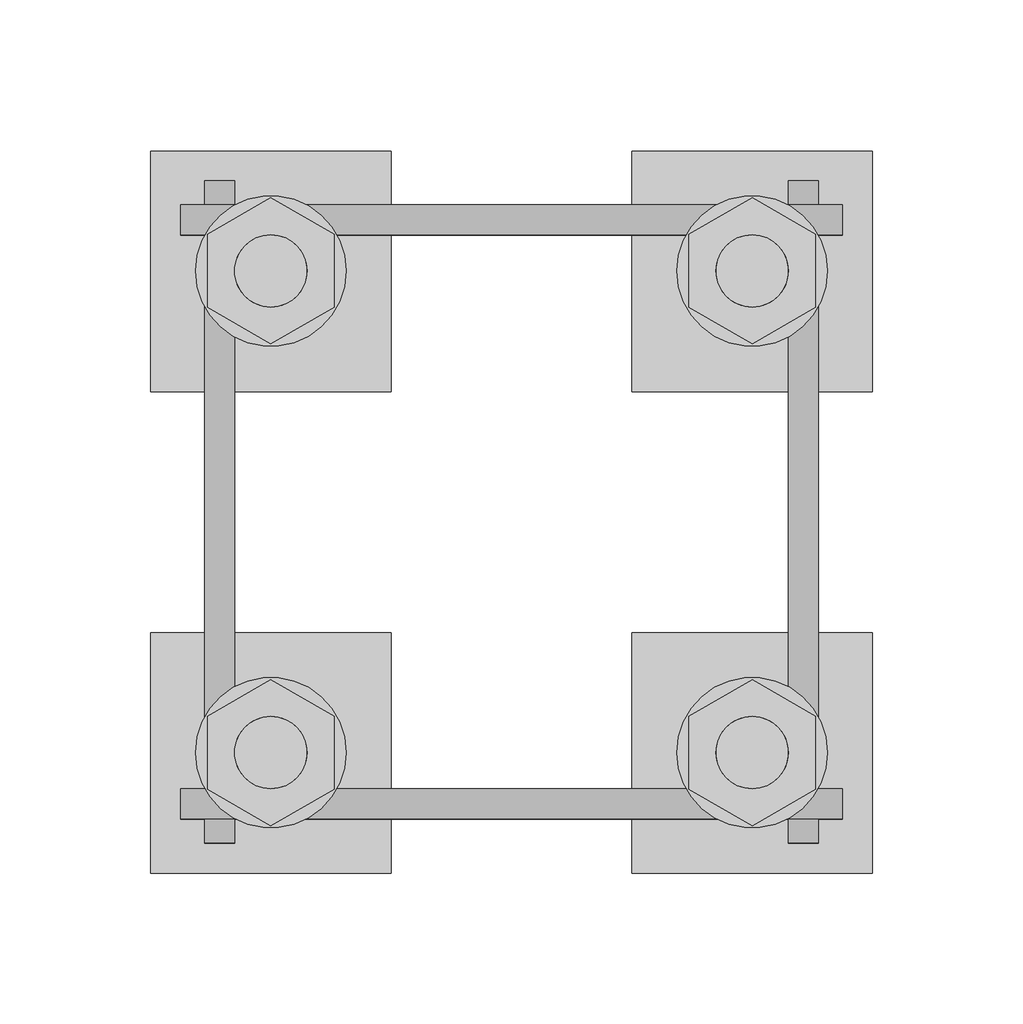
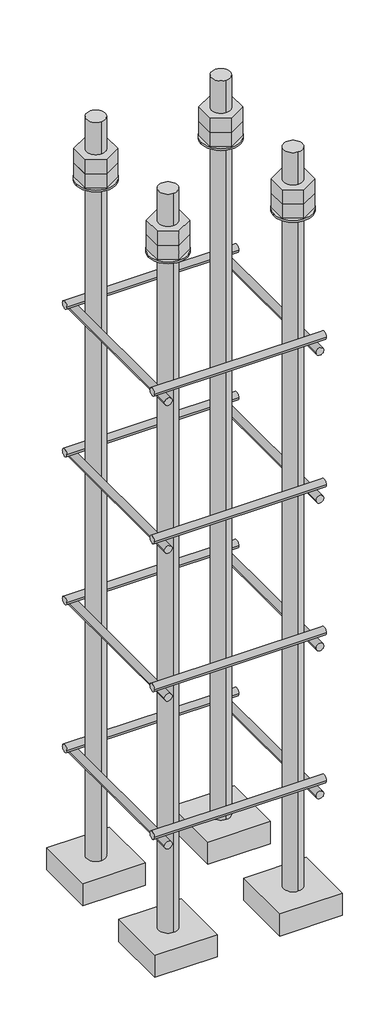
# One storey, part 4 of 66: 1 fastener.
"""IFC4 building model written with IfcOpenShell, lengths in millimetres."""

from ifc_helpers import new_model, si_unit, point, frame, frame_2d, origin, place, context, project, spatial, polyline, circle_curve, trimmed, segment, composite_curve, outline, extrude, element, save
from ifc_brep_helpers import plane_surface, cylinder_surface, advanced_brep

model = new_model("IFC4")

# Units and contexts
model_context = context("Model", 3, world=origin())
ifc_project = project(units=[si_unit("LENGTHUNIT", "METRE", prefix="MILLI")], contexts=[model_context])

# Site, building, storey
site = spatial("IfcSite", under=ifc_project)
building = spatial("IfcBuilding", under=site)
storey = spatial("IfcBuildingStorey", under=building, Elevation=9070.0)

# Fastener
placement = place(None, origin())
element("IfcFastener", 1, ObjectType="AU1 : AU-01", at=placement, inside=storey, context=model_context, shape_type="SolidModel", body=[
    extrude(outline(composite_curve([segment(trimmed(circle_curve(frame_2d((11343.0, 8795.0)), 5.0), [point((11338.0, 8795.0))], [point((11348.0, 8795.0))], False, "CARTESIAN"), True, "CONTINUOUS"), segment(trimmed(circle_curve(frame_2d((11343.0, 8795.0)), 5.0), [point((11348.0, 8795.0))], [point((11338.0, 8795.0))], False, "CARTESIAN"), True, "CONTINUOUS")], self_intersect=False)), frame((20740.0, 0.0, 0.0), z_axis=(1.0, 0.0, 0.0), x_axis=(0.0, 1.0, 0.0)), (0.0, 0.0, 1.0), 220.0),
    extrude(outline(composite_curve([segment(trimmed(circle_curve(frame_2d((11537.0, 8795.0)), 5.0), [point((11542.0, 8795.0))], [point((11532.0, 8795.0))], False, "CARTESIAN"), True, "CONTINUOUS"), segment(trimmed(circle_curve(frame_2d((11537.0, 8795.0)), 5.0), [point((11532.0, 8795.0))], [point((11542.0, 8795.0))], False, "CARTESIAN"), True, "CONTINUOUS")], self_intersect=False)), frame((20740.0, 0.0, 0.0), z_axis=(1.0, 0.0, 0.0), x_axis=(0.0, 1.0, 0.0)), (0.0, 0.0, 1.0), 220.0),
    extrude(outline(composite_curve([segment(trimmed(circle_curve(frame_2d((8785.0, 20753.0)), 5.0), [point((8785.0, 20748.0))], [point((8785.0, 20758.0))], False, "CARTESIAN"), True, "CONTINUOUS"), segment(trimmed(circle_curve(frame_2d((8785.0, 20753.0)), 5.0), [point((8785.0, 20758.0))], [point((8785.0, 20748.0))], False, "CARTESIAN"), True, "CONTINUOUS")], self_intersect=False)), frame((0.0, 11330.0, 0.0), z_axis=(0.0, 1.0, 0.0), x_axis=(0.0, 0.0, 1.0)), (0.0, 0.0, 1.0), 220.0),
    extrude(outline(composite_curve([segment(trimmed(circle_curve(frame_2d((8785.0, 20947.0)), 5.0), [point((8785.0, 20952.0))], [point((8785.0, 20942.0))], False, "CARTESIAN"), True, "CONTINUOUS"), segment(trimmed(circle_curve(frame_2d((8785.0, 20947.0)), 5.0), [point((8785.0, 20942.0))], [point((8785.0, 20952.0))], False, "CARTESIAN"), True, "CONTINUOUS")], self_intersect=False)), frame((0.0, 11330.0, 0.0), z_axis=(0.0, 1.0, 0.0), x_axis=(0.0, 0.0, 1.0)), (0.0, 0.0, 1.0), 220.0),
    extrude(outline(composite_curve([segment(trimmed(circle_curve(frame_2d((11343.0, 8995.0)), 5.0), [point((11338.0, 8995.0))], [point((11348.0, 8995.0))], False, "CARTESIAN"), True, "CONTINUOUS"), segment(trimmed(circle_curve(frame_2d((11343.0, 8995.0)), 5.0), [point((11348.0, 8995.0))], [point((11338.0, 8995.0))], False, "CARTESIAN"), True, "CONTINUOUS")], self_intersect=False)), frame((20740.0, 0.0, 0.0), z_axis=(1.0, 0.0, 0.0), x_axis=(0.0, 1.0, 0.0)), (0.0, 0.0, 1.0), 220.0),
    extrude(outline(composite_curve([segment(trimmed(circle_curve(frame_2d((11537.0, 8995.0)), 5.0), [point((11542.0, 8995.0))], [point((11532.0, 8995.0))], False, "CARTESIAN"), True, "CONTINUOUS"), segment(trimmed(circle_curve(frame_2d((11537.0, 8995.0)), 5.0), [point((11532.0, 8995.0))], [point((11542.0, 8995.0))], False, "CARTESIAN"), True, "CONTINUOUS")], self_intersect=False)), frame((20740.0, 0.0, 0.0), z_axis=(1.0, 0.0, 0.0), x_axis=(0.0, 1.0, 0.0)), (0.0, 0.0, 1.0), 220.0),
    extrude(outline(composite_curve([segment(trimmed(circle_curve(frame_2d((8985.0, 20753.0)), 5.0), [point((8985.0, 20748.0))], [point((8985.0, 20758.0))], False, "CARTESIAN"), True, "CONTINUOUS"), segment(trimmed(circle_curve(frame_2d((8985.0, 20753.0)), 5.0), [point((8985.0, 20758.0))], [point((8985.0, 20748.0))], False, "CARTESIAN"), True, "CONTINUOUS")], self_intersect=False)), frame((0.0, 11330.0, 0.0), z_axis=(0.0, 1.0, 0.0), x_axis=(0.0, 0.0, 1.0)), (0.0, 0.0, 1.0), 220.0),
    extrude(outline(composite_curve([segment(trimmed(circle_curve(frame_2d((8985.0, 20947.0)), 5.0), [point((8985.0, 20952.0))], [point((8985.0, 20942.0))], False, "CARTESIAN"), True, "CONTINUOUS"), segment(trimmed(circle_curve(frame_2d((8985.0, 20947.0)), 5.0), [point((8985.0, 20942.0))], [point((8985.0, 20952.0))], False, "CARTESIAN"), True, "CONTINUOUS")], self_intersect=False)), frame((0.0, 11330.0, 0.0), z_axis=(0.0, 1.0, 0.0), x_axis=(0.0, 0.0, 1.0)), (0.0, 0.0, 1.0), 220.0),
    extrude(outline(composite_curve([segment(trimmed(circle_curve(frame_2d((11343.0, 9195.0)), 5.0), [point((11338.0, 9195.0))], [point((11348.0, 9195.0))], False, "CARTESIAN"), True, "CONTINUOUS"), segment(trimmed(circle_curve(frame_2d((11343.0, 9195.0)), 5.0), [point((11348.0, 9195.0))], [point((11338.0, 9195.0))], False, "CARTESIAN"), True, "CONTINUOUS")], self_intersect=False)), frame((20740.0, 0.0, 0.0), z_axis=(1.0, 0.0, 0.0), x_axis=(0.0, 1.0, 0.0)), (0.0, 0.0, 1.0), 220.0),
    extrude(outline(composite_curve([segment(trimmed(circle_curve(frame_2d((11537.0, 9195.0)), 5.0), [point((11542.0, 9195.0))], [point((11532.0, 9195.0))], False, "CARTESIAN"), True, "CONTINUOUS"), segment(trimmed(circle_curve(frame_2d((11537.0, 9195.0)), 5.0), [point((11532.0, 9195.0))], [point((11542.0, 9195.0))], False, "CARTESIAN"), True, "CONTINUOUS")], self_intersect=False)), frame((20740.0, 0.0, 0.0), z_axis=(1.0, 0.0, 0.0), x_axis=(0.0, 1.0, 0.0)), (0.0, 0.0, 1.0), 220.0),
    extrude(outline(composite_curve([segment(trimmed(circle_curve(frame_2d((9185.0, 20753.0)), 5.0), [point((9185.0, 20748.0))], [point((9185.0, 20758.0))], False, "CARTESIAN"), True, "CONTINUOUS"), segment(trimmed(circle_curve(frame_2d((9185.0, 20753.0)), 5.0), [point((9185.0, 20758.0))], [point((9185.0, 20748.0))], False, "CARTESIAN"), True, "CONTINUOUS")], self_intersect=False)), frame((0.0, 11330.0, 0.0), z_axis=(0.0, 1.0, 0.0), x_axis=(0.0, 0.0, 1.0)), (0.0, 0.0, 1.0), 220.0),
    extrude(outline(composite_curve([segment(trimmed(circle_curve(frame_2d((9185.0, 20947.0)), 5.0), [point((9185.0, 20952.0))], [point((9185.0, 20942.0))], False, "CARTESIAN"), True, "CONTINUOUS"), segment(trimmed(circle_curve(frame_2d((9185.0, 20947.0)), 5.0), [point((9185.0, 20942.0))], [point((9185.0, 20952.0))], False, "CARTESIAN"), True, "CONTINUOUS")], self_intersect=False)), frame((0.0, 11330.0, 0.0), z_axis=(0.0, 1.0, 0.0), x_axis=(0.0, 0.0, 1.0)), (0.0, 0.0, 1.0), 220.0),
    extrude(outline(composite_curve([segment(trimmed(circle_curve(frame_2d((11343.0, 9395.0)), 5.0), [point((11338.0, 9395.0))], [point((11348.0, 9395.0))], False, "CARTESIAN"), True, "CONTINUOUS"), segment(trimmed(circle_curve(frame_2d((11343.0, 9395.0)), 5.0), [point((11348.0, 9395.0))], [point((11338.0, 9395.0))], False, "CARTESIAN"), True, "CONTINUOUS")], self_intersect=False)), frame((20740.0, 0.0, 0.0), z_axis=(1.0, 0.0, 0.0), x_axis=(0.0, 1.0, 0.0)), (0.0, 0.0, 1.0), 220.0),
    extrude(outline(composite_curve([segment(trimmed(circle_curve(frame_2d((11537.0, 9395.0)), 5.0), [point((11542.0, 9395.0))], [point((11532.0, 9395.0))], False, "CARTESIAN"), True, "CONTINUOUS"), segment(trimmed(circle_curve(frame_2d((11537.0, 9395.0)), 5.0), [point((11532.0, 9395.0))], [point((11542.0, 9395.0))], False, "CARTESIAN"), True, "CONTINUOUS")], self_intersect=False)), frame((20740.0, 0.0, 0.0), z_axis=(1.0, 0.0, 0.0), x_axis=(0.0, 1.0, 0.0)), (0.0, 0.0, 1.0), 220.0),
    extrude(outline(composite_curve([segment(trimmed(circle_curve(frame_2d((9385.0, 20753.0)), 5.0), [point((9385.0, 20748.0))], [point((9385.0, 20758.0))], False, "CARTESIAN"), True, "CONTINUOUS"), segment(trimmed(circle_curve(frame_2d((9385.0, 20753.0)), 5.0), [point((9385.0, 20758.0))], [point((9385.0, 20748.0))], False, "CARTESIAN"), True, "CONTINUOUS")], self_intersect=False)), frame((0.0, 11330.0, 0.0), z_axis=(0.0, 1.0, 0.0), x_axis=(0.0, 0.0, 1.0)), (0.0, 0.0, 1.0), 220.0),
    extrude(outline(composite_curve([segment(trimmed(circle_curve(frame_2d((9385.0, 20947.0)), 5.0), [point((9385.0, 20952.0))], [point((9385.0, 20942.0))], False, "CARTESIAN"), True, "CONTINUOUS"), segment(trimmed(circle_curve(frame_2d((9385.0, 20947.0)), 5.0), [point((9385.0, 20942.0))], [point((9385.0, 20952.0))], False, "CARTESIAN"), True, "CONTINUOUS")], self_intersect=False)), frame((0.0, 11330.0, 0.0), z_axis=(0.0, 1.0, 0.0), x_axis=(0.0, 0.0, 1.0)), (0.0, 0.0, 1.0), 220.0),
    advanced_brep(
    [(20810.0, 11560.0, 8650.0), (20730.0, 11560.0, 8650.0), (20730.0, 11480.0, 8650.0), (20810.0, 11480.0, 8650.0), (20770.0, 11508.0, 8650.0), (20770.0, 11532.0, 8650.0), (20810.0, 11560.0, 8620.0), (20810.0, 11480.0, 8620.0), (20730.0, 11480.0, 8620.0), (20730.0, 11560.0, 8620.0), (20770.0, 11532.0, 9650.0), (20770.0, 11508.0, 9650.0)],
    [
        (0, 1),
        (1, 2),
        (2, 3),
        (3, 0),
        (4, 5, circle_curve(frame((20770.0, 11520.0, 8650.0), z_axis=(0.0, 0.0, -1.0), x_axis=(0.0, -1.0, 0.0)), 12.0)),
        (5, 4, circle_curve(frame((20770.0, 11520.0, 8650.0), z_axis=(0.0, 0.0, -1.0), x_axis=(0.0, -1.0, 0.0)), 12.0)),
        (6, 7),
        (7, 8),
        (8, 9),
        (9, 6),
        (0, 6),
        (9, 1),
        (8, 2),
        (7, 3),
        (10, 11, circle_curve(frame((20770.0, 11520.0, 9650.0), z_axis=(0.0, 0.0, 1.0), x_axis=(0.0, -1.0, 0.0)), 12.0)),
        (11, 10, circle_curve(frame((20770.0, 11520.0, 9650.0), z_axis=(0.0, 0.0, 1.0), x_axis=(0.0, -1.0, 0.0)), 12.0)),
        (10, 5),
        (4, 11),
    ],
    [
        plane_surface(frame((20730.0, 11560.0, 8650.0), z_axis=(0.0, 0.0, 1.0), x_axis=(-1.0, 0.0, 0.0))),
        plane_surface(frame((20730.0, 11560.0, 8620.0), z_axis=(0.0, 0.0, -1.0), x_axis=(1.0, 0.0, 0.0))),
        plane_surface(frame((20810.0, 11560.0, 8650.0), z_axis=(0.0, 1.0, 0.0), x_axis=(0.0, 0.0, -1.0))),
        plane_surface(frame((20730.0, 11560.0, 8650.0), z_axis=(-1.0, 0.0, 0.0), x_axis=(0.0, 0.0, -1.0))),
        plane_surface(frame((20730.0, 11480.0, 8650.0), z_axis=(0.0, -1.0, 0.0), x_axis=(0.0, 0.0, -1.0))),
        plane_surface(frame((20810.0, 11480.0, 8650.0), z_axis=(1.0, 0.0, 0.0), x_axis=(0.0, 0.0, -1.0))),
        plane_surface(frame((20770.0, 11520.0, 9650.0), z_axis=(0.0, 0.0, 1.0), x_axis=(0.0, -1.0, 0.0))),
        cylinder_surface(frame((20770.0, 11520.0, 9650.0), z_axis=(0.0, 0.0, 1.0), x_axis=(0.0, -1.0, 0.0)), 12.0),
    ],
    [
        (0, [[1, 2, 3, 4], [5, 6]]),
        (1, [[7, 8, 9, 10]]),
        (2, [[-1, 11, -10, 12]]),
        (3, [[-2, -12, -9, 13]]),
        (4, [[-3, -13, -8, 14]]),
        (5, [[-4, -14, -7, -11]]),
        (6, [[15, 16]]),
        (7, [[-15, 17, -5, 18]]),
        (7, [[-16, -18, -6, -17]]),
    ],
),
    extrude(outline(composite_curve([segment(trimmed(circle_curve(frame_2d((20770.0, 11520.0)), 25.0), [point((20795.0, 11520.0))], [point((20745.0, 11520.0))], False, "CARTESIAN"), True, "CONTINUOUS"), segment(trimmed(circle_curve(frame_2d((20770.0, 11520.0)), 25.0), [point((20745.0, 11520.0))], [point((20795.0, 11520.0))], False, "CARTESIAN"), True, "CONTINUOUS")], self_intersect=False), holes=[composite_curve([segment(trimmed(circle_curve(frame_2d((20770.0, 11520.0)), 12.0), [point((20782.0, 11520.0))], [point((20758.0, 11520.0))], True, "CARTESIAN"), True, "CONTINUOUS"), segment(trimmed(circle_curve(frame_2d((20770.0, 11520.0)), 12.0), [point((20758.0, 11520.0))], [point((20782.0, 11520.0))], True, "CARTESIAN"), True, "CONTINUOUS")], self_intersect=False)]), frame((0.0, 0.0, 9565.0), z_axis=(0.0, 0.0, 1.0), x_axis=(1.0, 0.0, 0.0)), (0.0, 0.0, 1.0), 2.5),
    extrude(outline(polyline([(20770.0, 11544.2487113), (20791.0, 11532.1243557), (20791.0, 11507.8756443), (20770.0, 11495.7512887), (20749.0, 11507.8756443), (20749.0, 11532.1243557), (20770.0, 11544.2487113)]), holes=[composite_curve([segment(trimmed(circle_curve(frame_2d((20770.0, 11520.0)), 12.0), [point((20782.0, 11520.0))], [point((20758.0, 11520.0))], True, "CARTESIAN"), True, "CONTINUOUS"), segment(trimmed(circle_curve(frame_2d((20770.0, 11520.0)), 12.0), [point((20758.0, 11520.0))], [point((20782.0, 11520.0))], True, "CARTESIAN"), True, "CONTINUOUS")], self_intersect=False)]), frame((0.0, 0.0, 9587.0), z_axis=(0.0, 0.0, 1.0), x_axis=(1.0, 0.0, 0.0)), (0.0, 0.0, 1.0), 19.5),
    extrude(outline(polyline([(20770.0, 11544.2487113), (20791.0, 11532.1243557), (20791.0, 11507.8756443), (20770.0, 11495.7512887), (20749.0, 11507.8756443), (20749.0, 11532.1243557), (20770.0, 11544.2487113)]), holes=[composite_curve([segment(trimmed(circle_curve(frame_2d((20770.0, 11520.0)), 12.0), [point((20782.0, 11520.0))], [point((20758.0, 11520.0))], True, "CARTESIAN"), True, "CONTINUOUS"), segment(trimmed(circle_curve(frame_2d((20770.0, 11520.0)), 12.0), [point((20758.0, 11520.0))], [point((20782.0, 11520.0))], True, "CARTESIAN"), True, "CONTINUOUS")], self_intersect=False)]), frame((0.0, 0.0, 9567.5), z_axis=(0.0, 0.0, 1.0), x_axis=(1.0, 0.0, 0.0)), (0.0, 0.0, 1.0), 19.5),
    advanced_brep(
    [(20890.0, 11480.0, 8650.0), (20970.0, 11480.0, 8650.0), (20970.0, 11560.0, 8650.0), (20890.0, 11560.0, 8650.0), (20930.0, 11532.0, 8650.0), (20930.0, 11508.0, 8650.0), (20890.0, 11480.0, 8620.0), (20890.0, 11560.0, 8620.0), (20970.0, 11560.0, 8620.0), (20970.0, 11480.0, 8620.0), (20930.0, 11508.0, 9650.0), (20930.0, 11532.0, 9650.0)],
    [
        (0, 1),
        (1, 2),
        (2, 3),
        (3, 0),
        (4, 5, circle_curve(frame((20930.0, 11520.0, 8650.0), z_axis=(0.0, 0.0, -1.0), x_axis=(0.0, 1.0, 0.0)), 12.0)),
        (5, 4, circle_curve(frame((20930.0, 11520.0, 8650.0), z_axis=(0.0, 0.0, -1.0), x_axis=(0.0, 1.0, 0.0)), 12.0)),
        (6, 7),
        (7, 8),
        (8, 9),
        (9, 6),
        (0, 6),
        (9, 1),
        (8, 2),
        (7, 3),
        (10, 11, circle_curve(frame((20930.0, 11520.0, 9650.0), z_axis=(0.0, 0.0, 1.0), x_axis=(0.0, 1.0, 0.0)), 12.0)),
        (11, 10, circle_curve(frame((20930.0, 11520.0, 9650.0), z_axis=(0.0, 0.0, 1.0), x_axis=(0.0, 1.0, 0.0)), 12.0)),
        (10, 5),
        (4, 11),
    ],
    [
        plane_surface(frame((20970.0, 11480.0, 8650.0), z_axis=(0.0, 0.0, 1.0), x_axis=(1.0, 0.0, 0.0))),
        plane_surface(frame((20970.0, 11480.0, 8620.0), z_axis=(0.0, 0.0, -1.0), x_axis=(-1.0, 0.0, 0.0))),
        plane_surface(frame((20890.0, 11480.0, 8650.0), z_axis=(0.0, -1.0, 0.0), x_axis=(0.0, 0.0, -1.0))),
        plane_surface(frame((20970.0, 11480.0, 8650.0), z_axis=(1.0, 0.0, 0.0), x_axis=(0.0, 0.0, -1.0))),
        plane_surface(frame((20970.0, 11560.0, 8650.0), z_axis=(0.0, 1.0, 0.0), x_axis=(0.0, 0.0, -1.0))),
        plane_surface(frame((20890.0, 11560.0, 8650.0), z_axis=(-1.0, 0.0, 0.0), x_axis=(0.0, 0.0, -1.0))),
        plane_surface(frame((20930.0, 11520.0, 9650.0), z_axis=(0.0, 0.0, 1.0), x_axis=(0.0, 1.0, 0.0))),
        cylinder_surface(frame((20930.0, 11520.0, 9650.0), z_axis=(0.0, 0.0, 1.0), x_axis=(0.0, 1.0, 0.0)), 12.0),
    ],
    [
        (0, [[1, 2, 3, 4], [5, 6]]),
        (1, [[7, 8, 9, 10]]),
        (2, [[-1, 11, -10, 12]]),
        (3, [[-2, -12, -9, 13]]),
        (4, [[-3, -13, -8, 14]]),
        (5, [[-4, -14, -7, -11]]),
        (6, [[15, 16]]),
        (7, [[-15, 17, -5, 18]]),
        (7, [[-16, -18, -6, -17]]),
    ],
),
    extrude(outline(composite_curve([segment(trimmed(circle_curve(frame_2d((20930.0, 11520.0)), 25.0), [point((20905.0, 11520.0))], [point((20955.0, 11520.0))], False, "CARTESIAN"), True, "CONTINUOUS"), segment(trimmed(circle_curve(frame_2d((20930.0, 11520.0)), 25.0), [point((20955.0, 11520.0))], [point((20905.0, 11520.0))], False, "CARTESIAN"), True, "CONTINUOUS")], self_intersect=False), holes=[composite_curve([segment(trimmed(circle_curve(frame_2d((20930.0, 11520.0)), 12.0), [point((20918.0, 11520.0))], [point((20942.0, 11520.0))], True, "CARTESIAN"), True, "CONTINUOUS"), segment(trimmed(circle_curve(frame_2d((20930.0, 11520.0)), 12.0), [point((20942.0, 11520.0))], [point((20918.0, 11520.0))], True, "CARTESIAN"), True, "CONTINUOUS")], self_intersect=False)]), frame((0.0, 0.0, 9565.0), z_axis=(0.0, 0.0, 1.0), x_axis=(1.0, 0.0, 0.0)), (0.0, 0.0, 1.0), 2.5),
    extrude(outline(polyline([(20930.0, 11495.7512887), (20909.0, 11507.8756443), (20909.0, 11532.1243557), (20930.0, 11544.2487113), (20951.0, 11532.1243557), (20951.0, 11507.8756443), (20930.0, 11495.7512887)]), holes=[composite_curve([segment(trimmed(circle_curve(frame_2d((20930.0, 11520.0)), 12.0), [point((20918.0, 11520.0))], [point((20942.0, 11520.0))], True, "CARTESIAN"), True, "CONTINUOUS"), segment(trimmed(circle_curve(frame_2d((20930.0, 11520.0)), 12.0), [point((20942.0, 11520.0))], [point((20918.0, 11520.0))], True, "CARTESIAN"), True, "CONTINUOUS")], self_intersect=False)]), frame((0.0, 0.0, 9587.0), z_axis=(0.0, 0.0, 1.0), x_axis=(1.0, 0.0, 0.0)), (0.0, 0.0, 1.0), 19.5),
    extrude(outline(polyline([(20930.0, 11495.7512887), (20909.0, 11507.8756443), (20909.0, 11532.1243557), (20930.0, 11544.2487113), (20951.0, 11532.1243557), (20951.0, 11507.8756443), (20930.0, 11495.7512887)]), holes=[composite_curve([segment(trimmed(circle_curve(frame_2d((20930.0, 11520.0)), 12.0), [point((20918.0, 11520.0))], [point((20942.0, 11520.0))], True, "CARTESIAN"), True, "CONTINUOUS"), segment(trimmed(circle_curve(frame_2d((20930.0, 11520.0)), 12.0), [point((20942.0, 11520.0))], [point((20918.0, 11520.0))], True, "CARTESIAN"), True, "CONTINUOUS")], self_intersect=False)]), frame((0.0, 0.0, 9567.5), z_axis=(0.0, 0.0, 1.0), x_axis=(1.0, 0.0, 0.0)), (0.0, 0.0, 1.0), 19.5),
    advanced_brep(
    [(20890.0, 11320.0, 8650.0), (20970.0, 11320.0, 8650.0), (20970.0, 11400.0, 8650.0), (20890.0, 11400.0, 8650.0), (20930.0, 11372.0, 8650.0), (20930.0, 11348.0, 8650.0), (20890.0, 11320.0, 8620.0), (20890.0, 11400.0, 8620.0), (20970.0, 11400.0, 8620.0), (20970.0, 11320.0, 8620.0), (20930.0, 11348.0, 9650.0), (20930.0, 11372.0, 9650.0)],
    [
        (0, 1),
        (1, 2),
        (2, 3),
        (3, 0),
        (4, 5, circle_curve(frame((20930.0, 11360.0, 8650.0), z_axis=(0.0, 0.0, -1.0), x_axis=(0.0, 1.0, 0.0)), 12.0)),
        (5, 4, circle_curve(frame((20930.0, 11360.0, 8650.0), z_axis=(0.0, 0.0, -1.0), x_axis=(0.0, 1.0, 0.0)), 12.0)),
        (6, 7),
        (7, 8),
        (8, 9),
        (9, 6),
        (0, 6),
        (9, 1),
        (8, 2),
        (7, 3),
        (10, 11, circle_curve(frame((20930.0, 11360.0, 9650.0), z_axis=(0.0, 0.0, 1.0), x_axis=(0.0, 1.0, 0.0)), 12.0)),
        (11, 10, circle_curve(frame((20930.0, 11360.0, 9650.0), z_axis=(0.0, 0.0, 1.0), x_axis=(0.0, 1.0, 0.0)), 12.0)),
        (10, 5),
        (4, 11),
    ],
    [
        plane_surface(frame((20970.0, 11320.0, 8650.0), z_axis=(0.0, 0.0, 1.0), x_axis=(1.0, 0.0, 0.0))),
        plane_surface(frame((20970.0, 11320.0, 8620.0), z_axis=(0.0, 0.0, -1.0), x_axis=(-1.0, 0.0, 0.0))),
        plane_surface(frame((20890.0, 11320.0, 8650.0), z_axis=(0.0, -1.0, 0.0), x_axis=(0.0, 0.0, -1.0))),
        plane_surface(frame((20970.0, 11320.0, 8650.0), z_axis=(1.0, 0.0, 0.0), x_axis=(0.0, 0.0, -1.0))),
        plane_surface(frame((20970.0, 11400.0, 8650.0), z_axis=(0.0, 1.0, 0.0), x_axis=(0.0, 0.0, -1.0))),
        plane_surface(frame((20890.0, 11400.0, 8650.0), z_axis=(-1.0, 0.0, 0.0), x_axis=(0.0, 0.0, -1.0))),
        plane_surface(frame((20930.0, 11360.0, 9650.0), z_axis=(0.0, 0.0, 1.0), x_axis=(0.0, 1.0, 0.0))),
        cylinder_surface(frame((20930.0, 11360.0, 9650.0), z_axis=(0.0, 0.0, 1.0), x_axis=(0.0, 1.0, 0.0)), 12.0),
    ],
    [
        (0, [[1, 2, 3, 4], [5, 6]]),
        (1, [[7, 8, 9, 10]]),
        (2, [[-1, 11, -10, 12]]),
        (3, [[-2, -12, -9, 13]]),
        (4, [[-3, -13, -8, 14]]),
        (5, [[-4, -14, -7, -11]]),
        (6, [[15, 16]]),
        (7, [[-15, 17, -5, 18]]),
        (7, [[-16, -18, -6, -17]]),
    ],
),
    extrude(outline(composite_curve([segment(trimmed(circle_curve(frame_2d((20930.0, 11360.0)), 25.0), [point((20905.0, 11360.0))], [point((20955.0, 11360.0))], False, "CARTESIAN"), True, "CONTINUOUS"), segment(trimmed(circle_curve(frame_2d((20930.0, 11360.0)), 25.0), [point((20955.0, 11360.0))], [point((20905.0, 11360.0))], False, "CARTESIAN"), True, "CONTINUOUS")], self_intersect=False), holes=[composite_curve([segment(trimmed(circle_curve(frame_2d((20930.0, 11360.0)), 12.0), [point((20918.0, 11360.0))], [point((20942.0, 11360.0))], True, "CARTESIAN"), True, "CONTINUOUS"), segment(trimmed(circle_curve(frame_2d((20930.0, 11360.0)), 12.0), [point((20942.0, 11360.0))], [point((20918.0, 11360.0))], True, "CARTESIAN"), True, "CONTINUOUS")], self_intersect=False)]), frame((0.0, 0.0, 9565.0), z_axis=(0.0, 0.0, 1.0), x_axis=(1.0, 0.0, 0.0)), (0.0, 0.0, 1.0), 2.5),
    extrude(outline(polyline([(20930.0, 11335.7512887), (20909.0, 11347.8756443), (20909.0, 11372.1243557), (20930.0, 11384.2487113), (20951.0, 11372.1243557), (20951.0, 11347.8756443), (20930.0, 11335.7512887)]), holes=[composite_curve([segment(trimmed(circle_curve(frame_2d((20930.0, 11360.0)), 12.0), [point((20918.0, 11360.0))], [point((20942.0, 11360.0))], True, "CARTESIAN"), True, "CONTINUOUS"), segment(trimmed(circle_curve(frame_2d((20930.0, 11360.0)), 12.0), [point((20942.0, 11360.0))], [point((20918.0, 11360.0))], True, "CARTESIAN"), True, "CONTINUOUS")], self_intersect=False)]), frame((0.0, 0.0, 9587.0), z_axis=(0.0, 0.0, 1.0), x_axis=(1.0, 0.0, 0.0)), (0.0, 0.0, 1.0), 19.5),
    extrude(outline(polyline([(20930.0, 11335.7512887), (20909.0, 11347.8756443), (20909.0, 11372.1243557), (20930.0, 11384.2487113), (20951.0, 11372.1243557), (20951.0, 11347.8756443), (20930.0, 11335.7512887)]), holes=[composite_curve([segment(trimmed(circle_curve(frame_2d((20930.0, 11360.0)), 12.0), [point((20918.0, 11360.0))], [point((20942.0, 11360.0))], True, "CARTESIAN"), True, "CONTINUOUS"), segment(trimmed(circle_curve(frame_2d((20930.0, 11360.0)), 12.0), [point((20942.0, 11360.0))], [point((20918.0, 11360.0))], True, "CARTESIAN"), True, "CONTINUOUS")], self_intersect=False)]), frame((0.0, 0.0, 9567.5), z_axis=(0.0, 0.0, 1.0), x_axis=(1.0, 0.0, 0.0)), (0.0, 0.0, 1.0), 19.5),
    advanced_brep(
    [(20810.0, 11400.0, 8650.0), (20730.0, 11400.0, 8650.0), (20730.0, 11320.0, 8650.0), (20810.0, 11320.0, 8650.0), (20770.0, 11348.0, 8650.0), (20770.0, 11372.0, 8650.0), (20810.0, 11400.0, 8620.0), (20810.0, 11320.0, 8620.0), (20730.0, 11320.0, 8620.0), (20730.0, 11400.0, 8620.0), (20770.0, 11372.0, 9650.0), (20770.0, 11348.0, 9650.0)],
    [
        (0, 1),
        (1, 2),
        (2, 3),
        (3, 0),
        (4, 5, circle_curve(frame((20770.0, 11360.0, 8650.0), z_axis=(0.0, 0.0, -1.0), x_axis=(0.0, -1.0, 0.0)), 12.0)),
        (5, 4, circle_curve(frame((20770.0, 11360.0, 8650.0), z_axis=(0.0, 0.0, -1.0), x_axis=(0.0, -1.0, 0.0)), 12.0)),
        (6, 7),
        (7, 8),
        (8, 9),
        (9, 6),
        (0, 6),
        (9, 1),
        (8, 2),
        (7, 3),
        (10, 11, circle_curve(frame((20770.0, 11360.0, 9650.0), z_axis=(0.0, 0.0, 1.0), x_axis=(0.0, -1.0, 0.0)), 12.0)),
        (11, 10, circle_curve(frame((20770.0, 11360.0, 9650.0), z_axis=(0.0, 0.0, 1.0), x_axis=(0.0, -1.0, 0.0)), 12.0)),
        (10, 5),
        (4, 11),
    ],
    [
        plane_surface(frame((20730.0, 11400.0, 8650.0), z_axis=(0.0, 0.0, 1.0), x_axis=(-1.0, 0.0, 0.0))),
        plane_surface(frame((20730.0, 11400.0, 8620.0), z_axis=(0.0, 0.0, -1.0), x_axis=(1.0, 0.0, 0.0))),
        plane_surface(frame((20810.0, 11400.0, 8650.0), z_axis=(0.0, 1.0, 0.0), x_axis=(0.0, 0.0, -1.0))),
        plane_surface(frame((20730.0, 11400.0, 8650.0), z_axis=(-1.0, 0.0, 0.0), x_axis=(0.0, 0.0, -1.0))),
        plane_surface(frame((20730.0, 11320.0, 8650.0), z_axis=(0.0, -1.0, 0.0), x_axis=(0.0, 0.0, -1.0))),
        plane_surface(frame((20810.0, 11320.0, 8650.0), z_axis=(1.0, 0.0, 0.0), x_axis=(0.0, 0.0, -1.0))),
        plane_surface(frame((20770.0, 11360.0, 9650.0), z_axis=(0.0, 0.0, 1.0), x_axis=(0.0, -1.0, 0.0))),
        cylinder_surface(frame((20770.0, 11360.0, 9650.0), z_axis=(0.0, 0.0, 1.0), x_axis=(0.0, -1.0, 0.0)), 12.0),
    ],
    [
        (0, [[1, 2, 3, 4], [5, 6]]),
        (1, [[7, 8, 9, 10]]),
        (2, [[-1, 11, -10, 12]]),
        (3, [[-2, -12, -9, 13]]),
        (4, [[-3, -13, -8, 14]]),
        (5, [[-4, -14, -7, -11]]),
        (6, [[15, 16]]),
        (7, [[-15, 17, -5, 18]]),
        (7, [[-16, -18, -6, -17]]),
    ],
),
    extrude(outline(composite_curve([segment(trimmed(circle_curve(frame_2d((20770.0, 11360.0)), 25.0), [point((20795.0, 11360.0))], [point((20745.0, 11360.0))], False, "CARTESIAN"), True, "CONTINUOUS"), segment(trimmed(circle_curve(frame_2d((20770.0, 11360.0)), 25.0), [point((20745.0, 11360.0))], [point((20795.0, 11360.0))], False, "CARTESIAN"), True, "CONTINUOUS")], self_intersect=False), holes=[composite_curve([segment(trimmed(circle_curve(frame_2d((20770.0, 11360.0)), 12.0), [point((20782.0, 11360.0))], [point((20758.0, 11360.0))], True, "CARTESIAN"), True, "CONTINUOUS"), segment(trimmed(circle_curve(frame_2d((20770.0, 11360.0)), 12.0), [point((20758.0, 11360.0))], [point((20782.0, 11360.0))], True, "CARTESIAN"), True, "CONTINUOUS")], self_intersect=False)]), frame((0.0, 0.0, 9565.0), z_axis=(0.0, 0.0, 1.0), x_axis=(1.0, 0.0, 0.0)), (0.0, 0.0, 1.0), 2.5),
    extrude(outline(polyline([(20770.0, 11384.2487113), (20791.0, 11372.1243557), (20791.0, 11347.8756443), (20770.0, 11335.7512887), (20749.0, 11347.8756443), (20749.0, 11372.1243557), (20770.0, 11384.2487113)]), holes=[composite_curve([segment(trimmed(circle_curve(frame_2d((20770.0, 11360.0)), 12.0), [point((20782.0, 11360.0))], [point((20758.0, 11360.0))], True, "CARTESIAN"), True, "CONTINUOUS"), segment(trimmed(circle_curve(frame_2d((20770.0, 11360.0)), 12.0), [point((20758.0, 11360.0))], [point((20782.0, 11360.0))], True, "CARTESIAN"), True, "CONTINUOUS")], self_intersect=False)]), frame((0.0, 0.0, 9587.0), z_axis=(0.0, 0.0, 1.0), x_axis=(1.0, 0.0, 0.0)), (0.0, 0.0, 1.0), 19.5),
    extrude(outline(polyline([(20770.0, 11384.2487113), (20791.0, 11372.1243557), (20791.0, 11347.8756443), (20770.0, 11335.7512887), (20749.0, 11347.8756443), (20749.0, 11372.1243557), (20770.0, 11384.2487113)]), holes=[composite_curve([segment(trimmed(circle_curve(frame_2d((20770.0, 11360.0)), 12.0), [point((20782.0, 11360.0))], [point((20758.0, 11360.0))], True, "CARTESIAN"), True, "CONTINUOUS"), segment(trimmed(circle_curve(frame_2d((20770.0, 11360.0)), 12.0), [point((20758.0, 11360.0))], [point((20782.0, 11360.0))], True, "CARTESIAN"), True, "CONTINUOUS")], self_intersect=False)]), frame((0.0, 0.0, 9567.5), z_axis=(0.0, 0.0, 1.0), x_axis=(1.0, 0.0, 0.0)), (0.0, 0.0, 1.0), 19.5),
])

save(model, "model.ifc")
